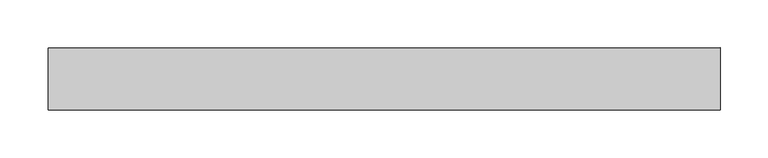
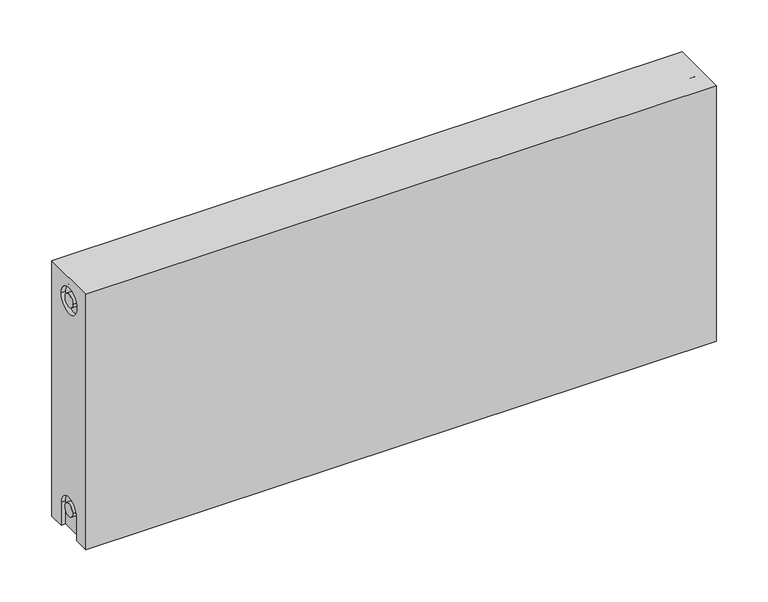
"""IFC4 building model written with IfcOpenShell, lengths in millimetres: proxy geometry."""

from ifc_helpers import new_model, si_unit, frame, origin, place, context, project, spatial, polyline, circle_curve, source, transform, mapped, element, save
from ifc_brep_helpers import plane_surface, cylinder_surface, revolved_surface, advanced_brep


def mechanical_equipment_3589f96a(model_context):
    return source(origin(), model_context, "Body", "AdvancedBrep", [
        advanced_brep(
        [(700.0, 32.5, 300.0), (700.0, 32.5, 0.0), (0.0, 32.5, 0.0), (0.0, 32.5, 300.0), (700.0, -32.5, 300.0), (0.0, -32.5, 300.0), (0.0, -32.5, 0.0), (700.0, -32.5, 0.0), (700.0, -14.65, 0.0), (700.0, -14.65, 27.0), (700.0, 15.35, 27.0), (700.0, 15.35, 0.0), (700.0, 14.7242393, 273.0), (700.0, -15.2757607, 273.0), (700.0, -7.5, 27.0), (700.0, 7.5, 27.0), (700.0, 7.2242393, 273.0), (700.0, -7.7757607, 273.0), (695.0, 15.35, 0.0), (695.0, -14.65, 0.0), (0.0, -15.0, 0.0), (5.0, -15.0, 0.0), (5.0, 15.0, 0.0), (0.0, 15.0, 0.0), (0.0, 15.0, 27.0), (0.0, -15.0, 27.0), (0.0, -15.2757607, 273.0), (0.0, 14.7242393, 273.0), (0.0, -7.7757607, 273.0), (0.0, 7.2242393, 273.0), (0.0, 7.5682726, 27.0), (0.0, -7.4317274, 27.0), (5.0, -15.2757607, 273.0), (5.0, 14.7242393, 273.0), (5.0, -7.7757607, 273.0), (5.0, 7.2242393, 273.0), (5.0, -15.0, 27.0), (5.0, 15.0, 27.0), (5.0, -7.4317274, 27.0), (5.0, 7.5682726, 27.0), (695.0, 15.35, 27.0), (695.0, -14.65, 27.0), (695.0, -7.5, 27.0), (695.0, 7.5, 27.0), (695.0, -15.2757607, 273.0), (695.0, 14.7242393, 273.0), (695.0, -7.7757607, 273.0), (695.0, 7.2242393, 273.0)],
        [
            (0, 1),
            (1, 2),
            (2, 3),
            (3, 0),
            (4, 5),
            (5, 6),
            (6, 7),
            (7, 4),
            (0, 4),
            (7, 8),
            (8, 9),
            (9, 10, circle_curve(frame((700.0, 0.35, 27.0), z_axis=(-1.0, 0.0, 0.0), x_axis=(0.0, 1.0, 0.0)), 15.0)),
            (10, 11),
            (11, 1),
            (12, 13, circle_curve(frame((700.0, -0.2757607, 273.0), z_axis=(-1.0, 0.0, 0.0), x_axis=(0.0, 1.0, 0.0)), 15.0)),
            (13, 12, circle_curve(frame((700.0, -0.2757607, 273.0), z_axis=(-1.0, 0.0, 0.0), x_axis=(0.0, 1.0, 0.0)), 15.0)),
            (14, 15, circle_curve(frame((700.0, 0.0, 27.0), z_axis=(1.0, 0.0, 0.0), x_axis=(0.0, 1.0, 0.0)), 7.5)),
            (15, 14, circle_curve(frame((700.0, 0.0, 27.0), z_axis=(1.0, 0.0, 0.0), x_axis=(0.0, 1.0, 0.0)), 7.5)),
            (16, 17, circle_curve(frame((700.0, -0.2757607, 273.0), z_axis=(1.0, 0.0, 0.0), x_axis=(0.0, 1.0, 0.0)), 7.5)),
            (17, 16, circle_curve(frame((700.0, -0.2757607, 273.0), z_axis=(1.0, 0.0, 0.0), x_axis=(0.0, 1.0, 0.0)), 7.5)),
            (11, 18),
            (18, 19),
            (19, 8),
            (6, 20),
            (20, 21),
            (21, 22),
            (22, 23),
            (23, 2),
            (23, 24),
            (24, 25, circle_curve(frame((0.0, 0.0, 27.0), z_axis=(1.0, 0.0, 0.0), x_axis=(0.0, 1.0, 0.0)), 15.0)),
            (25, 20),
            (5, 3),
            (26, 27, circle_curve(frame((0.0, -0.2757607, 273.0), z_axis=(1.0, 0.0, 0.0), x_axis=(0.0, 1.0, 0.0)), 15.0)),
            (27, 26, circle_curve(frame((0.0, -0.2757607, 273.0), z_axis=(1.0, 0.0, 0.0), x_axis=(0.0, 1.0, 0.0)), 15.0)),
            (28, 29, circle_curve(frame((0.0, -0.2757607, 273.0), z_axis=(-1.0, 0.0, 0.0), x_axis=(0.0, 1.0, 0.0)), 7.5)),
            (29, 28, circle_curve(frame((0.0, -0.2757607, 273.0), z_axis=(-1.0, 0.0, 0.0), x_axis=(0.0, 1.0, 0.0)), 7.5)),
            (30, 31, circle_curve(frame((0.0, 0.0682726, 27.0), z_axis=(-1.0, 0.0, 0.0), x_axis=(0.0, 1.0, 0.0)), 7.5)),
            (31, 30, circle_curve(frame((0.0, 0.0682726, 27.0), z_axis=(-1.0, 0.0, 0.0), x_axis=(0.0, 1.0, 0.0)), 7.5)),
            (32, 33, circle_curve(frame((5.0, -0.2757607, 273.0), z_axis=(-1.0, 0.0, 0.0), x_axis=(0.0, 1.0, 0.0)), 15.0)),
            (33, 32, circle_curve(frame((5.0, -0.2757607, 273.0), z_axis=(-1.0, 0.0, 0.0), x_axis=(0.0, 1.0, 0.0)), 15.0)),
            (34, 35, circle_curve(frame((5.0, -0.2757607, 273.0), z_axis=(1.0, 0.0, 0.0), x_axis=(0.0, 1.0, 0.0)), 7.5)),
            (35, 34, circle_curve(frame((5.0, -0.2757607, 273.0), z_axis=(1.0, 0.0, 0.0), x_axis=(0.0, 1.0, 0.0)), 7.5)),
            (33, 27),
            (26, 32),
            (35, 29),
            (28, 34),
            (21, 36),
            (36, 37, circle_curve(frame((5.0, 0.0, 27.0), z_axis=(-1.0, 0.0, 0.0), x_axis=(0.0, 1.0, 0.0)), 15.0)),
            (37, 22),
            (38, 39, circle_curve(frame((5.0, 0.0682726, 27.0), z_axis=(1.0, 0.0, 0.0), x_axis=(0.0, 1.0, 0.0)), 7.5)),
            (39, 38, circle_curve(frame((5.0, 0.0682726, 27.0), z_axis=(1.0, 0.0, 0.0), x_axis=(0.0, 1.0, 0.0)), 7.5)),
            (38, 31),
            (30, 39),
            (37, 24),
            (36, 25),
            (18, 40),
            (40, 41, circle_curve(frame((695.0, 0.35, 27.0), z_axis=(1.0, 0.0, 0.0), x_axis=(0.0, 1.0, 0.0)), 15.0)),
            (41, 19),
            (42, 43, circle_curve(frame((695.0, 0.0, 27.0), z_axis=(-1.0, 0.0, 0.0), x_axis=(0.0, 1.0, 0.0)), 7.5)),
            (43, 42, circle_curve(frame((695.0, 0.0, 27.0), z_axis=(-1.0, 0.0, 0.0), x_axis=(0.0, 1.0, 0.0)), 7.5)),
            (43, 15),
            (14, 42),
            (10, 40),
            (9, 41),
            (44, 45, circle_curve(frame((695.0, -0.2757607, 273.0), z_axis=(1.0, 0.0, 0.0), x_axis=(0.0, 1.0, 0.0)), 15.0)),
            (45, 44, circle_curve(frame((695.0, -0.2757607, 273.0), z_axis=(1.0, 0.0, 0.0), x_axis=(0.0, 1.0, 0.0)), 15.0)),
            (46, 47, circle_curve(frame((695.0, -0.2757607, 273.0), z_axis=(-1.0, 0.0, 0.0), x_axis=(0.0, 1.0, 0.0)), 7.5)),
            (47, 46, circle_curve(frame((695.0, -0.2757607, 273.0), z_axis=(-1.0, 0.0, 0.0), x_axis=(0.0, 1.0, 0.0)), 7.5)),
            (44, 13),
            (12, 45),
            (46, 17),
            (16, 47),
        ],
        [
            plane_surface(frame((700.0, 32.5, 300.0), z_axis=(0.0, 1.0, 0.0), x_axis=(0.0, 0.0, -1.0))),
            plane_surface(frame((700.0, -32.5, 300.0), z_axis=(0.0, -1.0, 0.0), x_axis=(0.0, 0.0, 1.0))),
            plane_surface(frame((700.0, 32.5, 300.0), z_axis=(1.0, 0.0, 0.0), x_axis=(0.0, -1.0, 0.0))),
            plane_surface(frame((700.0, 32.5, 0.0), z_axis=(0.0, 0.0, -1.0), x_axis=(0.0, -1.0, 0.0))),
            plane_surface(frame((0.0, 32.5, 0.0), z_axis=(-1.0, 0.0, 0.0), x_axis=(0.0, -1.0, 0.0))),
            plane_surface(frame((0.0, 32.5, 300.0), z_axis=(0.0, 0.0, 1.0), x_axis=(0.0, -1.0, 0.0))),
            plane_surface(frame((5.0, 14.7242393, 273.0), z_axis=(-1.0, 0.0, 0.0), x_axis=(0.0, 0.0, 1.0))),
            revolved_surface(polyline([(5.0, 14.7242393, 273.0), (0.0, 14.7242393, 273.0)]), (0.0, -0.2757607, 273.0), (1.0, 0.0, 0.0)),
            cylinder_surface(frame((0.0, -0.2757607, 273.0), z_axis=(-1.0, 0.0, 0.0), x_axis=(0.0, 1.0, 0.0)), 7.5),
            plane_surface(frame((5.0, 7.5682726, 27.0), z_axis=(-1.0, 0.0, 0.0), x_axis=(0.0, 0.0, -1.0))),
            cylinder_surface(frame((0.0, 0.0682726, 27.0), z_axis=(-1.0, 0.0, 0.0), x_axis=(0.0, 1.0, 0.0)), 7.5),
            plane_surface(frame((5.0, 15.0, 0.0), z_axis=(0.0, -1.0, 0.0), x_axis=(-1.0, 0.0, 0.0))),
            revolved_surface(polyline([(5.0, 15.0, 27.0), (0.0, 15.0, 27.0)]), (0.0, 0.0, 27.0), (1.0, 0.0, 0.0)),
            plane_surface(frame((5.0, -15.0, 27.0), z_axis=(0.0, 1.0, 0.0), x_axis=(-1.0, 0.0, 0.0))),
            plane_surface(frame((695.0, 7.5, 27.0), z_axis=(1.0, 0.0, 0.0), x_axis=(0.0, 0.0, 1.0))),
            cylinder_surface(frame((695.0, 0.0, 27.0), z_axis=(-1.0, 0.0, 0.0), x_axis=(0.0, 1.0, 0.0)), 7.5),
            plane_surface(frame((700.0, 15.35, 0.0), z_axis=(0.0, -1.0, 0.0), x_axis=(-1.0, 0.0, 0.0))),
            revolved_surface(polyline([(700.0, 15.35, 27.0), (695.0, 15.35, 27.0)]), (895.0, 0.35, 27.0), (1.0, 0.0, 0.0)),
            plane_surface(frame((700.0, -14.65, 27.0), z_axis=(0.0, 1.0, 0.0), x_axis=(-1.0, 0.0, 0.0))),
            plane_surface(frame((695.0, 14.7242393, 273.0), z_axis=(1.0, 0.0, 0.0), x_axis=(0.0, 0.0, -1.0))),
            revolved_surface(polyline([(700.0, 14.7242393, 273.0), (695.0, 14.7242393, 273.0)]), (695.0, -0.2757607, 273.0), (1.0, 0.0, 0.0)),
            cylinder_surface(frame((895.0, -0.2757607, 273.0), z_axis=(-1.0, 0.0, 0.0), x_axis=(0.0, 1.0, 0.0)), 7.5),
        ],
        [
            (0, [[1, 2, 3, 4]]),
            (1, [[5, 6, 7, 8]]),
            (2, [[-1, 9, -8, 10, 11, 12, 13, 14], [15, 16]]),
            (2, [[17, 18]]),
            (2, [[19, 20]]),
            (3, [[-2, -14, 21, 22, 23, -10, -7, 24, 25, 26, 27, 28]]),
            (4, [[-3, -28, 29, 30, 31, -24, -6, 32], [33, 34]]),
            (4, [[35, 36]]),
            (4, [[37, 38]]),
            (5, [[-4, -32, -5, -9]]),
            (6, [[39, 40], [41, 42]]),
            (7, [[-40, 43, -33, 44]]),
            (7, [[-39, -44, -34, -43]]),
            (8, [[-42, 45, -35, 46]]),
            (8, [[-41, -46, -36, -45]]),
            (9, [[47, 48, 49, -26], [50, 51]]),
            (10, [[-50, 52, -37, 53]]),
            (10, [[-51, -53, -38, -52]]),
            (11, [[-49, 54, -29, -27]]),
            (12, [[-48, 55, -30, -54]]),
            (13, [[-47, -25, -31, -55]]),
            (14, [[56, 57, 58, -22], [59, 60]]),
            (15, [[-60, 61, -17, 62]]),
            (15, [[-59, -62, -18, -61]]),
            (16, [[-56, -21, -13, 63]]),
            (17, [[-57, -63, -12, 64]]),
            (18, [[-58, -64, -11, -23]]),
            (19, [[65, 66], [67, 68]]),
            (20, [[-65, 69, -15, 70]]),
            (20, [[-66, -70, -16, -69]]),
            (21, [[-67, 71, -19, 72]]),
            (21, [[-68, -72, -20, -71]]),
        ],
    ),
    ])


if __name__ == "__main__":
    model = new_model("IFC4")
    model_context = context("Model", 3, world=origin())
    ifc_project = project(units=[si_unit("LENGTHUNIT", "METRE", prefix="MILLI")], contexts=[model_context])
    site = spatial("IfcSite", under=ifc_project)
    building = spatial("IfcBuilding", under=site)
    placement = place(None, origin())
    mechanical_equipment_shape = mechanical_equipment_3589f96a(model_context)
    element("IfcBuildingElementProxy", 1, Name="Mechanical Equipment", at=placement, inside=building, context=model_context, shape_type="MappedRepresentation", body=[
        mapped(mechanical_equipment_shape, transform((0.0, 0.0, 0.0), x_axis=(1.0, 0.0, 0.0), y_axis=(0.0, 1.0, 0.0), z_axis=(0.0, 0.0, 1.0))),
    ])
    save(model, "model.ifc")
